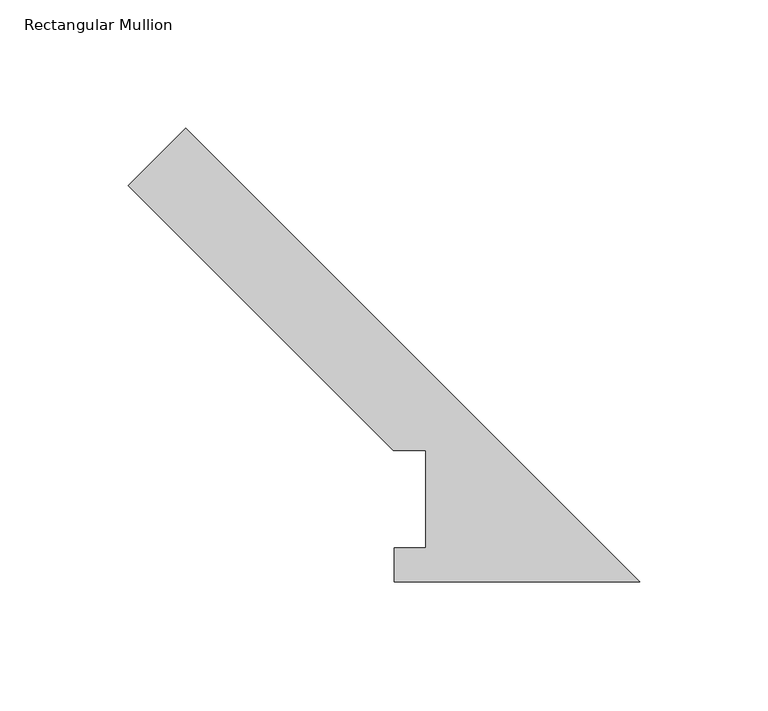
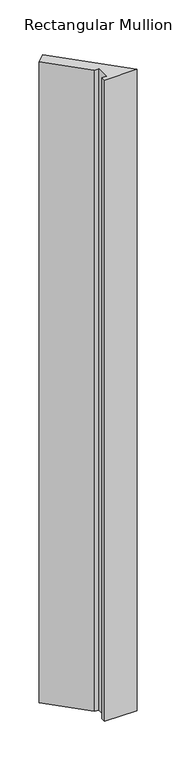
"""IFC4 building model written with IfcOpenShell, lengths in millimetres: member geometry, Rectangular Mullion."""

from ifc_helpers import new_model, si_unit, frame, origin, place, context, project, spatial, polyline, outline, extrude, source, transform, mapped, element, save


def rectangular_mullion_6a096a0d(model_context):
    return source(origin(), model_context, "Body", "SweptSolid", [
        extrude(outline(polyline([(0.0, 0.0173344), (-95.7961125, 0.0173344), (-95.7961125, 13.1903275), (-83.48004, 13.1903275), (-83.48004, 51.2960937), (-96.18004, 51.2960937), (-199.4709459, 154.5869997), (-177.0203056, 177.03764), (0.0, 0.0173344)])), frame((0.0, 0.0, -1993.8999999), z_axis=(0.0, 0.0, 1.0), x_axis=(1.0, 0.0, 0.0)), (0.0, 0.0, 1.0), 1993.8999999),
    ])


if __name__ == "__main__":
    model = new_model("IFC4")
    model_context = context("Model", 3, world=origin())
    ifc_project = project(units=[si_unit("LENGTHUNIT", "METRE", prefix="MILLI")], contexts=[model_context])
    site = spatial("IfcSite", under=ifc_project)
    building = spatial("IfcBuilding", under=site)
    placement = place(None, origin())
    rectangular_mullion_shape = rectangular_mullion_6a096a0d(model_context)
    element("IfcMember", 1, ObjectType="Rectangular Mullion", at=placement, inside=building, context=model_context, shape_type="MappedRepresentation", body=[
        mapped(rectangular_mullion_shape, transform((0.0, 0.0, 0.0), x_axis=(1.0, 0.0, 0.0), y_axis=(0.0, 1.0, 0.0), z_axis=(0.0, 0.0, 1.0))),
    ])
    save(model, "model.ifc")
